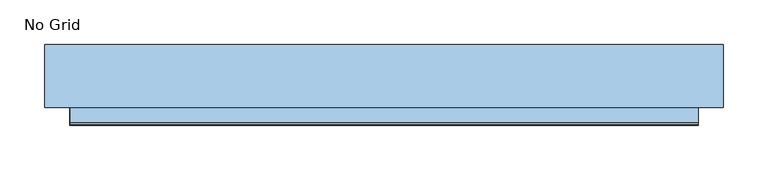
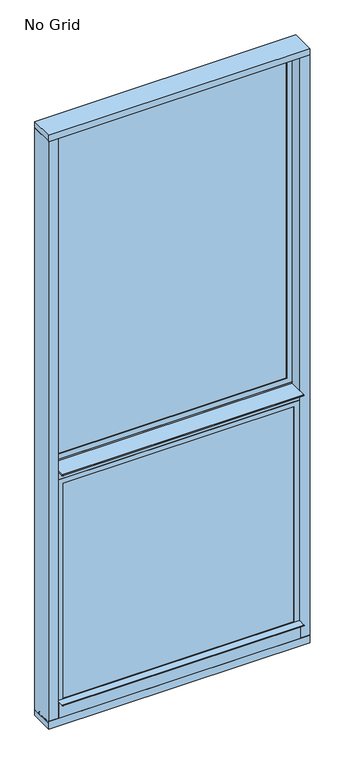
"""IFC4 building model written with IfcOpenShell, lengths in millimetres: window geometry, No Grid."""

from ifc_helpers import new_model, si_unit, point, frame, frame_2d, origin, place, context, project, spatial, polyline, circle_curve, trimmed, segment, composite_curve, outline, extrude, faceted_brep, source, transform, mapped, element, save


def no_grid_a4465935(model_context):
    return source(origin(), model_context, "Body", "SolidModel", [
        faceted_brep([(349.3516, 39.0903269, 1665.4272127), (349.3516, 49.2757269, 1665.4272127), (349.3516, 49.2757269, 976.9348127), (349.3516, 39.0903269, 976.9348127), (336.5754, 37.084, 1652.6510127), (336.5754, 39.0903269, 1652.6510127), (336.5754, 39.0903269, 989.7110127), (336.5754, 37.084, 989.7110127), (352.4504, 65.607932, 1668.5260127), (352.4504, 37.084, 1668.5260127), (352.4504, 37.084, 973.8360127), (352.4504, 65.607932, 973.8360127), (336.5754, 49.2757269, 1652.6510127), (336.5754, 65.607932, 1652.6510127), (336.5754, 65.607932, 989.7110127), (336.5754, 49.2757269, 989.7110127), (-349.3516, 49.2757269, 976.9348127), (-349.3516, 39.0903269, 976.9348127), (-336.5754, 39.0903269, 989.7110127), (-336.5754, 37.084, 989.7110127), (-352.4504, 37.084, 973.8360127), (-352.4504, 65.607932, 973.8360127), (-336.5754, 65.607932, 989.7110127), (-336.5754, 49.2757269, 989.7110127), (-349.3516, 49.2757269, 1665.4272127), (-349.3516, 39.0903269, 1665.4272127), (-336.5754, 39.0903269, 1652.6510127), (-336.5754, 37.084, 1652.6510127), (-352.4504, 37.084, 1668.5260127), (-352.4504, 65.607932, 1668.5260127), (-336.5754, 65.607932, 1652.6510127), (-336.5754, 49.2757269, 1652.6510127)], [[[0, 1, 2, 3]], [[4, 5, 6, 7]], [[8, 9, 10, 11]], [[12, 13, 14, 15]], [[3, 2, 16, 17]], [[7, 6, 18, 19]], [[11, 10, 20, 21]], [[15, 14, 22, 23]], [[17, 16, 24, 25]], [[19, 18, 26, 27]], [[21, 20, 28, 29]], [[23, 22, 30, 31]], [[1, 24, 16, 2], [15, 23, 31, 12]], [[25, 24, 1, 0]], [[3, 17, 25, 0], [5, 26, 18, 6]], [[27, 26, 5, 4]], [[9, 28, 20, 10], [7, 19, 27, 4]], [[29, 28, 9, 8]], [[11, 21, 29, 8], [13, 30, 22, 14]], [[31, 30, 13, 12]]]),
        faceted_brep([(-336.5754, 101.6, 2708.5544127), (-336.5754, 85.1661949, 2708.5544127), (-336.5754, 85.1661949, 1719.1482127), (-336.5754, 101.6, 1719.1482127), (-352.4504, 73.076068, 2724.4294127), (-352.4504, 101.6, 2724.4294127), (-352.4504, 101.6, 1703.2732127), (-352.4504, 73.076068, 1703.2732127), (-336.5754, 74.9807949, 2708.5544127), (-336.5754, 73.076068, 2708.5544127), (-336.5754, 73.076068, 1719.1482127), (-336.5754, 74.9807949, 1719.1482127), (-349.3516, 85.1661949, 2721.3306127), (-349.3516, 74.9807949, 2721.3306127), (-349.3516, 74.9807949, 1706.3720127), (-349.3516, 85.1661949, 1706.3720127), (336.5754, 85.1661949, 1719.1482127), (336.5754, 101.6, 1719.1482127), (352.4504, 101.6, 1703.2732127), (352.4504, 73.076068, 1703.2732127), (336.5754, 73.076068, 1719.1482127), (336.5754, 74.9807949, 1719.1482127), (349.3516, 74.9807949, 1706.3720127), (349.3516, 85.1661949, 1706.3720127), (336.5754, 85.1661949, 2708.5544127), (336.5754, 101.6, 2708.5544127), (352.4504, 101.6, 2724.4294127), (352.4504, 73.076068, 2724.4294127), (336.5754, 73.076068, 2708.5544127), (336.5754, 74.9807949, 2708.5544127), (349.3516, 74.9807949, 2721.3306127), (349.3516, 85.1661949, 2721.3306127)], [[[0, 1, 2, 3]], [[4, 5, 6, 7]], [[8, 9, 10, 11]], [[12, 13, 14, 15]], [[3, 2, 16, 17]], [[7, 6, 18, 19]], [[11, 10, 20, 21]], [[15, 14, 22, 23]], [[17, 16, 24, 25]], [[19, 18, 26, 27]], [[21, 20, 28, 29]], [[23, 22, 30, 31]], [[25, 24, 1, 0]], [[5, 26, 18, 6], [3, 17, 25, 0]], [[27, 26, 5, 4]], [[7, 19, 27, 4], [9, 28, 20, 10]], [[29, 28, 9, 8]], [[13, 30, 22, 14], [11, 21, 29, 8]], [[31, 30, 13, 12]], [[15, 23, 31, 12], [1, 24, 16, 2]]]),
        extrude(outline(polyline([(336.5754, 78.1557949), (336.5754, 74.9807949), (-336.5754, 74.9807949), (-336.5754, 78.1557949), (336.5754, 78.1557949)])), frame((0.0, 0.0, 1719.1482127), z_axis=(0.0, 0.0, 1.0), x_axis=(1.0, 0.0, 0.0)), (0.0, 0.0, 1.0), 989.4062),
        extrude(outline(polyline([(336.5754, 85.1661949), (336.5754, 81.9911949), (-336.5754, 81.9911949), (-336.5754, 85.1661949), (336.5754, 85.1661949)])), frame((0.0, 0.0, 1719.1482127), z_axis=(0.0, 0.0, 1.0), x_axis=(1.0, 0.0, 0.0)), (0.0, 0.0, 1.0), 989.4062),
        extrude(outline(polyline([(336.5754, 42.2619735), (336.5754, 39.0869735), (-336.5754, 39.0869735), (-336.5754, 42.2619735), (336.5754, 42.2619735)])), frame((0.0, 0.0, 989.7110127), z_axis=(0.0, 0.0, 1.0), x_axis=(1.0, 0.0, 0.0)), (0.0, 0.0, 1.0), 662.94),
        extrude(outline(polyline([(336.5754, 49.2723735), (336.5754, 46.0973735), (-336.5754, 46.0973735), (-336.5754, 49.2723735), (336.5754, 49.2723735)])), frame((0.0, 0.0, 989.7110127), z_axis=(0.0, 0.0, 1.0), x_axis=(1.0, 0.0, 0.0)), (0.0, 0.0, 1.0), 662.94),
        extrude(outline(composite_curve([segment(polyline([(37.0743658, 1696.5379125), (16.5842467, 1696.5379125)]), True, "CONTINUOUS"), segment(trimmed(circle_curve(frame_2d((15.0095153, 1696.5378497)), 1.5747315), [point((16.5842467, 1696.5379125))], [point((13.895926, 1695.4244324))], False, "CARTESIAN"), True, "CONTINUOUS"), segment(trimmed(circle_curve(frame_2d((15.0094524, 1696.5379125)), 1.5747314), [point((13.895926, 1695.4244324))], [point((15.0094524, 1698.112644))], False, "CARTESIAN"), True, "CONTINUOUS"), segment(polyline([(15.0094524, 1698.112644), (73.076068, 1698.112644), (73.076068, 1703.2749454), (103.1707735, 1703.2749454), (103.1707735, 1667.5975342), (84.6580496, 1667.5975342), (84.6580496, 1665.014829)]), True, "CONTINUOUS"), segment(trimmed(circle_curve(frame_2d((84.0206154, 1665.014829)), 0.6374342), [point((84.6580496, 1665.014829))], [point((83.3831811, 1665.014829))], False, "CARTESIAN"), True, "CONTINUOUS"), segment(polyline([(83.3831811, 1665.014829), (83.3831811, 1668.5277454), (37.0743658, 1668.5277454), (37.0743658, 1696.5379125)]), True, "CONTINUOUS")], self_intersect=False)), frame((-352.3488457, 0.0, 0.0), z_axis=(1.0, 0.0, 0.0), x_axis=(0.0, 1.0, 0.0)), (0.0, 0.0, 1.0), 704.7992457),
        extrude(outline(polyline([(381.0, 34.3407921), (352.4757771, 34.3407921), (352.4757771, 103.1748), (381.0, 103.1748), (381.0, 34.3407921)])), frame((0.0, 0.0, 931.0079513), z_axis=(0.0, 0.0, 1.0), x_axis=(1.0, 0.0, 0.0)), (0.0, 0.0, 1.0), 1793.4468487),
        extrude(outline(polyline([(-381.0, 34.3407921), (-381.0, 103.1748), (-352.4757771, 103.1748), (-352.4757771, 34.3407921), (-381.0, 34.3407921)])), frame((0.0, 0.0, 931.0079513), z_axis=(0.0, 0.0, 1.0), x_axis=(1.0, 0.0, 0.0)), (0.0, 0.0, 1.0), 1793.4468487),
        extrude(outline(composite_curve([segment(polyline([(32.4612279, 937.1945898), (32.4612279, 988.4312677), (14.6267526, 988.4312677)]), True, "CONTINUOUS"), segment(trimmed(circle_curve(frame_2d((13.4353869, 988.5074391)), 1.1937982), [point((14.6267526, 988.4312677))], [point((12.564712, 987.6906898))], False, "CARTESIAN"), True, "CONTINUOUS"), segment(trimmed(circle_curve(frame_2d((13.4353772, 988.5074499)), 1.1937985), [point((12.564712, 987.6906898))], [point((13.4353772, 989.7012484))], False, "CARTESIAN"), True, "CONTINUOUS"), segment(polyline([(13.4353772, 989.7012484), (37.0840279, 989.7012484), (37.0840279, 973.8366238), (68.1469681, 973.8366238)]), True, "CONTINUOUS"), segment(trimmed(circle_curve(frame_2d((68.1469681, 970.6616238)), 3.175), [point((68.1469681, 973.8366238))], [point((71.3219681, 970.6616238))], False, "CARTESIAN"), True, "CONTINUOUS"), segment(polyline([(71.3219681, 970.6616238), (71.3219681, 933.794716), (32.4612279, 937.1945898)]), True, "CONTINUOUS")], self_intersect=False)), frame((-352.4504, 0.0, 0.0), z_axis=(1.0, 0.0, 0.0), x_axis=(0.0, 1.0, 0.0)), (0.0, 0.0, 1.0), 704.9008),
        extrude(outline(composite_curve([segment(polyline([(103.1748254, 931.0079513), (103.1748254, 914.3746127), (32.4612203, 914.3746127), (32.4612203, 937.1945905), (83.3881136, 932.7390652), (83.3881136, 935.6600593)]), True, "CONTINUOUS"), segment(trimmed(circle_curve(frame_2d((84.0231136, 935.6600593)), 0.635), [point((83.3881136, 935.6600593))], [point((84.6581136, 935.6600593))], False, "CARTESIAN"), True, "CONTINUOUS"), segment(polyline([(84.6581136, 935.6600593), (84.6581136, 932.6279529), (103.1748254, 931.0079513)]), True, "CONTINUOUS")], self_intersect=False)), frame((-381.0, 0.0, 0.0), z_axis=(1.0, 0.0, 0.0), x_axis=(0.0, 1.0, 0.0)), (0.0, 0.0, 1.0), 762.0),
        extrude(outline(polyline([(-381.0, 32.4612203), (-381.0, 103.1748178), (381.0, 103.1748178), (381.0, 32.4612203), (-381.0, 32.4612203)])), frame((0.0, 0.0, 2724.4294127), z_axis=(0.0, 0.0, 1.0), x_axis=(1.0, 0.0, 0.0)), (0.0, 0.0, 1.0), 18.7452),
    ])


if __name__ == "__main__":
    model = new_model("IFC4")
    model_context = context("Model", 3, world=origin())
    ifc_project = project(units=[si_unit("LENGTHUNIT", "METRE", prefix="MILLI")], contexts=[model_context])
    site = spatial("IfcSite", under=ifc_project)
    building = spatial("IfcBuilding", under=site)
    placement = place(None, origin())
    no_grid_shape = no_grid_a4465935(model_context)
    element("IfcWindow", 1, ObjectType="No Grid", at=placement, inside=building, context=model_context, shape_type="MappedRepresentation", body=[
        mapped(no_grid_shape, transform((0.0, 0.0, 0.0), x_axis=(1.0, 0.0, 0.0), y_axis=(0.0, 1.0, 0.0), z_axis=(0.0, 0.0, 1.0))),
    ])
    save(model, "model.ifc")
